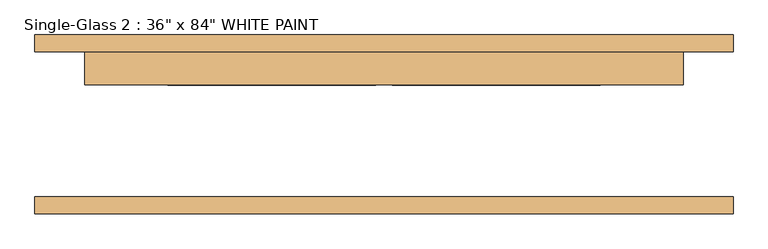
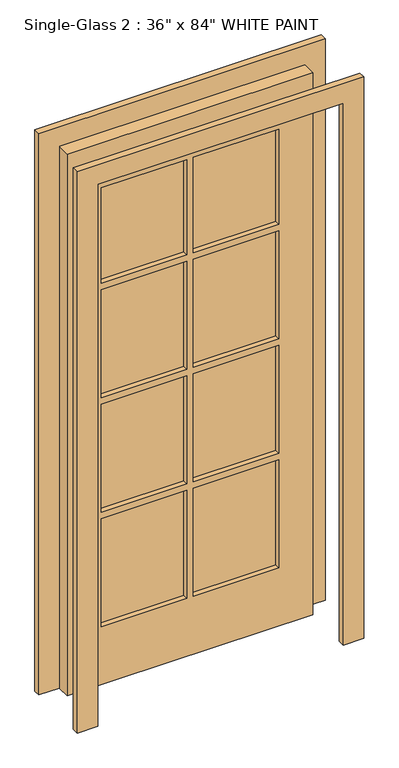
"""IFC4 building model written with IfcOpenShell, lengths in millimetres: door geometry."""

from ifc_helpers import new_model, si_unit, frame, origin, place, context, project, spatial, polyline, outline, extrude, source, transform, mapped, element, save


def door_8a7c344c(model_context):
    return source(origin(), model_context, "Body", "SweptSolid", [
        extrude(outline(polyline([(2209.8, 558.8), (2209.8, -508.0), (0.0, -508.0), (0.0, -431.8), (2133.6, -431.8), (2133.6, 482.6), (0.0, 482.6), (0.0, 558.8), (2209.8, 558.8)])), frame((0.0, -136.525, 0.0), z_axis=(0.0, 1.0, 0.0), x_axis=(0.0, 0.0, 1.0)), (0.0, 0.0, 1.0), 25.4),
        extrude(outline(polyline([(2209.8, -508.0), (0.0, -508.0), (0.0, -431.8), (2133.6, -431.8), (2133.6, 482.6), (0.0, 482.6), (0.0, 558.8), (2209.8, 558.8), (2209.8, -508.0)])), frame((0.0, 111.125, 0.0), z_axis=(0.0, 1.0, 0.0), x_axis=(0.0, 0.0, 1.0)), (0.0, 0.0, 1.0), 25.4),
        extrude(outline(polyline([(2133.6, 482.6), (2133.6, -431.8), (0.0, -431.8), (0.0, 482.6), (2133.6, 482.6)]), holes=[polyline([(1955.8, 12.7), (1581.15, 12.7), (1581.15, -304.8), (1955.8, -304.8), (1955.8, 12.7)]), polyline([(1955.8, 355.6), (1581.15, 355.6), (1581.15, 38.1), (1955.8, 38.1), (1955.8, 355.6)]), polyline([(1555.75, 12.7), (1130.3, 12.7), (1130.3, -304.8), (1555.75, -304.8), (1555.75, 12.7)]), polyline([(1555.75, 355.6), (1130.3, 355.6), (1130.3, 38.1), (1555.75, 38.1), (1555.75, 355.6)]), polyline([(1104.9, 12.7), (679.45, 12.7), (679.45, -304.8), (1104.9, -304.8), (1104.9, 12.7)]), polyline([(1104.9, 355.6), (679.45, 355.6), (679.45, 38.1), (1104.9, 38.1), (1104.9, 355.6)]), polyline([(654.05, 12.7), (228.6, 12.7), (228.6, -304.8), (654.05, -304.8), (654.05, 12.7)]), polyline([(654.05, 355.6), (228.6, 355.6), (228.6, 38.1), (654.05, 38.1), (654.05, 355.6)])]), frame((0.0, 60.325, 0.0), z_axis=(0.0, 1.0, 0.0), x_axis=(0.0, 0.0, 1.0)), (0.0, 0.0, 1.0), 50.8),
        extrude(outline(polyline([(12.7, 79.375), (-304.8, 79.375), (-304.8, 92.075), (12.7, 92.075), (12.7, 79.375)])), frame((0.0, 0.0, 1581.15), z_axis=(0.0, 0.0, 1.0), x_axis=(1.0, 0.0, 0.0)), (0.0, 0.0, 1.0), 374.65),
        extrude(outline(polyline([(355.6, 79.375), (38.1, 79.375), (38.1, 92.075), (355.6, 92.075), (355.6, 79.375)])), frame((0.0, 0.0, 1581.15), z_axis=(0.0, 0.0, 1.0), x_axis=(1.0, 0.0, 0.0)), (0.0, 0.0, 1.0), 374.65),
        extrude(outline(polyline([(355.6, 79.375), (38.1, 79.375), (38.1, 92.075), (355.6, 92.075), (355.6, 79.375)])), frame((0.0, 0.0, 1130.3), z_axis=(0.0, 0.0, 1.0), x_axis=(1.0, 0.0, 0.0)), (0.0, 0.0, 1.0), 425.45),
        extrude(outline(polyline([(12.7, 79.375), (-304.8, 79.375), (-304.8, 92.075), (12.7, 92.075), (12.7, 79.375)])), frame((0.0, 0.0, 1130.3), z_axis=(0.0, 0.0, 1.0), x_axis=(1.0, 0.0, 0.0)), (0.0, 0.0, 1.0), 425.45),
        extrude(outline(polyline([(12.7, 79.375), (-304.8, 79.375), (-304.8, 92.075), (12.7, 92.075), (12.7, 79.375)])), frame((0.0, 0.0, 679.45), z_axis=(0.0, 0.0, 1.0), x_axis=(1.0, 0.0, 0.0)), (0.0, 0.0, 1.0), 425.45),
        extrude(outline(polyline([(355.6, 79.375), (38.1, 79.375), (38.1, 92.075), (355.6, 92.075), (355.6, 79.375)])), frame((0.0, 0.0, 679.45), z_axis=(0.0, 0.0, 1.0), x_axis=(1.0, 0.0, 0.0)), (0.0, 0.0, 1.0), 425.45),
        extrude(outline(polyline([(355.6, 79.375), (38.1, 79.375), (38.1, 92.075), (355.6, 92.075), (355.6, 79.375)])), frame((0.0, 0.0, 228.6), z_axis=(0.0, 0.0, 1.0), x_axis=(1.0, 0.0, 0.0)), (0.0, 0.0, 1.0), 425.45),
        extrude(outline(polyline([(12.7, 79.375), (-304.8, 79.375), (-304.8, 92.075), (12.7, 92.075), (12.7, 79.375)])), frame((0.0, 0.0, 228.6), z_axis=(0.0, 0.0, 1.0), x_axis=(1.0, 0.0, 0.0)), (0.0, 0.0, 1.0), 425.45),
    ])


if __name__ == "__main__":
    model = new_model("IFC4")
    model_context = context("Model", 3, world=origin())
    ifc_project = project(units=[si_unit("LENGTHUNIT", "METRE", prefix="MILLI")], contexts=[model_context])
    site = spatial("IfcSite", under=ifc_project)
    building = spatial("IfcBuilding", under=site)
    placement = place(None, origin())
    door_shape = door_8a7c344c(model_context)
    element("IfcDoor", 1, ObjectType="Single-Glass 2 : 36\" x 84\" WHITE PAINT", at=placement, inside=building, context=model_context, shape_type="MappedRepresentation", body=[
        mapped(door_shape, transform((0.0, 0.0, 0.0), x_axis=(1.0, 0.0, 0.0), y_axis=(0.0, 1.0, 0.0), z_axis=(0.0, 0.0, 1.0))),
    ])
    save(model, "model.ifc")
